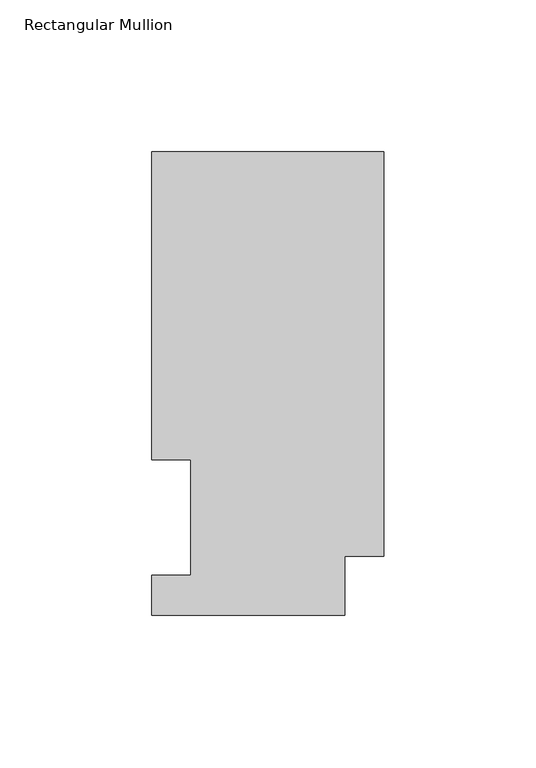
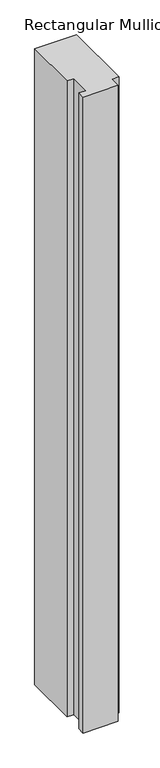
"""IFC4 building model written with IfcOpenShell, lengths in millimetres: member geometry, Rectangular Mullion."""

import ifcopenshell
import ifcopenshell.guid

model = None  # the IFC model being written
_history = None  # IfcOwnerHistory: only IFC2X3 demands one
_inside = {}  # id of a spatial element -> (the spatial element, [elements in it])
_under = {}  # id of a project, library or spatial element -> (it, [spatial elements below it])
_declared = {}  # id of a project -> (the project, [libraries it declares])
_typed = {}  # id of a type object -> (the type object, [elements of that type])
_made_of = {}  # id of a material, layer set ... -> (it, [elements and type objects made of it])


def new_model(schema):
    """Start an empty IFC model of exactly this schema.

    Asked for "IFC4X3", IfcOpenShell would pick the latest addendum, in which some entities
    have other attributes; the version numbers below select the first issue.
    IFC2X3 requires an IfcOwnerHistory on every rooted entity: one is made here for all.
    """
    global model, _history
    if schema == "IFC4X3":
        model = ifcopenshell.file(schema_version=(4, 3, 0, 0))
    else:
        model = ifcopenshell.file(schema=schema)
    _inside.clear()
    _under.clear()
    _declared.clear()
    _typed.clear()
    _made_of.clear()
    _history = None
    if model.schema == "IFC2X3":
        org = make("IfcOrganization", Name="unknown")
        user = make(
            "IfcPersonAndOrganization",
            ThePerson=make("IfcPerson", FamilyName="unknown"),
            TheOrganization=org,
        )
        app = make(
            "IfcApplication",
            ApplicationDeveloper=org,
            Version="unknown",
            ApplicationFullName="unknown",
            ApplicationIdentifier="unknown",
        )
        _history = make(
            "IfcOwnerHistory",
            OwningUser=user,
            OwningApplication=app,
            ChangeAction="ADDED",
            CreationDate=0,
        )
    return model


def make(cls, **values):
    """One entity of the class cls with the attributes given. An attribute that is None is left unset."""
    return model.create_entity(
        cls, **{name: value for name, value in values.items() if value is not None}
    )


def rooted(cls, **values):
    """An entity with a GlobalId (a new one), such as an element, a storey or a relation."""
    return make(cls, GlobalId=ifcopenshell.guid.new(), OwnerHistory=_history, **values)


def si_unit(unit_type, name, prefix=None):
    """IfcSIUnit, for example si_unit("LENGTHUNIT", "METRE", prefix="MILLI")."""
    return make("IfcSIUnit", UnitType=unit_type, Prefix=prefix, Name=name)


def assignment(units):
    """IfcUnitAssignment: the units of a project."""
    return None if units is None else make("IfcUnitAssignment", Units=units)


def point(xyz):
    """IfcCartesianPoint."""
    return None if xyz is None else make("IfcCartesianPoint", Coordinates=xyz)


def direction(xyz):
    """IfcDirection."""
    return None if xyz is None else make("IfcDirection", DirectionRatios=xyz)


def frame(location, z_axis=None, x_axis=None):
    """IfcAxis2Placement3D, a coordinate frame: its origin and axes. An axis left out is left unset."""
    return make(
        "IfcAxis2Placement3D",
        Location=point(location),
        Axis=direction(z_axis),
        RefDirection=direction(x_axis),
    )


def origin():
    """The frame at (0, 0, 0) with its axes left unset."""
    return frame((0.0, 0.0, 0.0))


def place(relative_to, where):
    """IfcLocalPlacement: puts the frame where relative to a parent placement (None: the world)."""
    return make(
        "IfcLocalPlacement", PlacementRelTo=relative_to, RelativePlacement=where
    )


def context(
    kind, dimensions, precision=None, world=None, true_north=None, identifier=None
):
    """IfcGeometricRepresentationContext, for example the 3D "Model" context."""
    return make(
        "IfcGeometricRepresentationContext",
        ContextIdentifier=identifier,
        ContextType=kind,
        CoordinateSpaceDimension=dimensions,
        Precision=precision,
        WorldCoordinateSystem=world,
        TrueNorth=true_north,
    )


def project(units=None, contexts=None):
    """IfcProject with its units and contexts."""
    return rooted(
        "IfcProject",
        Name="project",
        RepresentationContexts=contexts,
        UnitsInContext=assignment(units),
    )


def spatial(cls, under=None, at=None, **own):
    """A site, building, storey or space (cls), placed at a placement, below another one or the project."""
    s = rooted(cls, ObjectPlacement=at, **own)
    if under is not None:
        _under.setdefault(under.id(), (under, []))[1].append(s)
    return s


def polyline(points):
    """IfcPolyline through the points."""
    return make("IfcPolyline", Points=[point(p) for p in points])


def outline(outer, holes=None, kind="AREA"):
    """IfcArbitraryClosedProfileDef: a profile drawn as a closed curve; with holes, ...WithVoids."""
    if holes is None:
        return make("IfcArbitraryClosedProfileDef", ProfileType=kind, OuterCurve=outer)
    return make(
        "IfcArbitraryProfileDefWithVoids",
        ProfileType=kind,
        OuterCurve=outer,
        InnerCurves=holes,
    )


def extrude(swept, where, along, depth):
    """IfcExtrudedAreaSolid: the profile swept, set in the frame where, extruded along a direction by depth."""
    return make(
        "IfcExtrudedAreaSolid",
        SweptArea=swept,
        Position=where,
        ExtrudedDirection=direction(along),
        Depth=depth,
    )


def shape(context_of_items, identifier, shape_type, items):
    """IfcShapeRepresentation: the items that make up one representation, for example the "Body"."""
    return make(
        "IfcShapeRepresentation",
        ContextOfItems=context_of_items,
        RepresentationIdentifier=identifier,
        RepresentationType=shape_type,
        Items=items,
    )


def source(mapping_origin, context_of_items, identifier, shape_type, items):
    """IfcRepresentationMap: a shape defined once, which mapped items show again and again."""
    return make(
        "IfcRepresentationMap",
        MappingOrigin=mapping_origin,
        MappedRepresentation=shape(context_of_items, identifier, shape_type, items),
    )


def transform(
    local_origin,
    x_axis=None,
    y_axis=None,
    z_axis=None,
    scale=None,
    scale2=None,
    scale3=None,
    uniform=True,
):
    """IfcCartesianTransformationOperator3D, or its non-uniform kind. x_axis, y_axis, z_axis: its Axis1, 2, 3."""
    if uniform:
        return make(
            "IfcCartesianTransformationOperator3D",
            Axis1=direction(x_axis),
            Axis2=direction(y_axis),
            LocalOrigin=point(local_origin),
            Scale=scale,
            Axis3=direction(z_axis),
        )
    return make(
        "IfcCartesianTransformationOperator3DnonUniform",
        Axis1=direction(x_axis),
        Axis2=direction(y_axis),
        LocalOrigin=point(local_origin),
        Scale=scale,
        Axis3=direction(z_axis),
        Scale2=scale2,
        Scale3=scale3,
    )


def mapped(mapping_source, mapping_target):
    """IfcMappedItem: shows the shape of a source again, moved by a transform."""
    return make(
        "IfcMappedItem", MappingSource=mapping_source, MappingTarget=mapping_target
    )


def made_of(thing, what):
    """Note that an element or type object is made of a material, layer set ...; save() writes the relation."""
    if what is not None:
        _made_of.setdefault(what.id(), (what, []))[1].append(thing)
    return thing


def element(
    cls,
    number,
    at=None,
    inside=None,
    cuts=None,
    type_object=None,
    material=None,
    context=None,
    identifier="Body",
    shape_type=None,
    held_by="IfcProductDefinitionShape",
    body=None,
    shapes=None,
    **own,
):
    """One element of the class cls, such as IfcWall. Its Tag is "e" and its number.

    at: its placement. inside: the storey or other place that contains it. cuts: it is an
    opening in that element (IfcRelVoidsElement). A single representation is given by context,
    identifier, shape_type and body (its items); several are given by shapes. held_by: the class
    of the entity that holds the representations. save() writes the other relations.
    """
    e = rooted(cls, Tag="e%d" % number, ObjectPlacement=at, **own)
    if body is not None:
        shapes = [shape(context, identifier, shape_type, body)]
    if shapes is not None:
        e.Representation = make(held_by, Representations=shapes)
    if inside is not None:
        _inside.setdefault(inside.id(), (inside, []))[1].append(e)
    if cuts is not None:
        rooted(
            "IfcRelVoidsElement", RelatingBuildingElement=cuts, RelatedOpeningElement=e
        )
    if type_object is not None:
        _typed.setdefault(type_object.id(), (type_object, []))[1].append(e)
    return made_of(e, material)


def aggregate(whole, parts):
    """IfcRelAggregates: a whole, such as a stair, and the parts it consists of."""
    return rooted("IfcRelAggregates", RelatingObject=whole, RelatedObjects=parts)


def save(model, path):
    """Write the relations noted so far, then the file.

    IfcRelAggregates (storeys below a building ...), IfcRelContainedInSpatialStructure (elements
    in a storey), IfcRelDefinesByType, IfcRelAssociatesMaterial and IfcRelDeclares: one each for
    every whole, place, type object, material and project.
    """
    for whole, parts in _under.values():
        aggregate(whole, parts)
    for where, things in _inside.values():
        rooted(
            "IfcRelContainedInSpatialStructure",
            RelatedElements=things,
            RelatingStructure=where,
        )
    for kind, things in _typed.values():
        rooted("IfcRelDefinesByType", RelatedObjects=things, RelatingType=kind)
    for what, things in _made_of.values():
        rooted("IfcRelAssociatesMaterial", RelatedObjects=things, RelatingMaterial=what)
    for by, libraries in _declared.values():
        rooted("IfcRelDeclares", RelatingContext=by, RelatedDefinitions=libraries)
    model.write(path)


def rectangular_mullion_958f7192(model_context):
    return source(origin(), model_context, "Body", "SweptSolid", [
        extrude(outline(polyline([(0.0, 152.4896938), (0.0, 19.5455957), (-12.7, 19.5455957), (-12.7, 0.0134938), (-76.2, 0.0134938), (-76.2, 13.1960938), (-63.5, 13.1960938), (-63.5, 51.2960937), (-76.2, 51.2960937), (-76.2, 152.4896938), (0.0, 152.4896938)])), frame((0.0, 0.0, -1219.2), z_axis=(0.0, 0.0, 1.0), x_axis=(1.0, 0.0, 0.0)), (0.0, 0.0, 1.0), 1219.2),
    ])


if __name__ == "__main__":
    model = new_model("IFC4")
    model_context = context("Model", 3, world=origin())
    ifc_project = project(units=[si_unit("LENGTHUNIT", "METRE", prefix="MILLI")], contexts=[model_context])
    site = spatial("IfcSite", under=ifc_project)
    building = spatial("IfcBuilding", under=site)
    placement = place(None, origin())
    rectangular_mullion_shape = rectangular_mullion_958f7192(model_context)
    element("IfcMember", 1, ObjectType="Rectangular Mullion", at=placement, inside=building, context=model_context, shape_type="MappedRepresentation", body=[
        mapped(rectangular_mullion_shape, transform((0.0, 0.0, 0.0), x_axis=(1.0, 0.0, 0.0), y_axis=(0.0, 1.0, 0.0), z_axis=(0.0, 0.0, 1.0))),
    ])
    save(model, "model.ifc")
